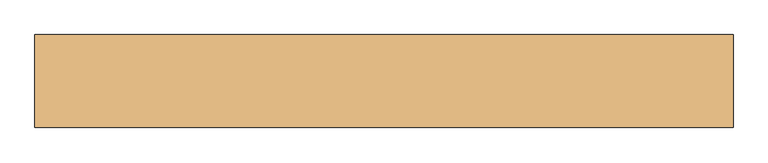
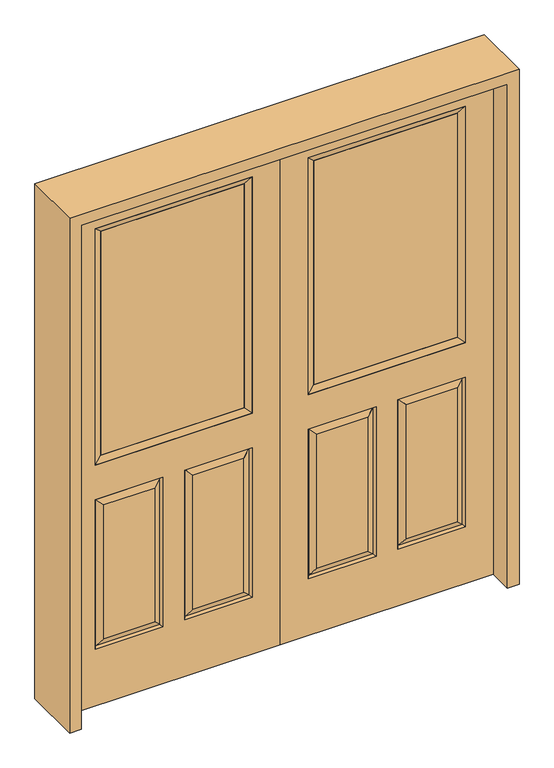
"""IFC4 building model written with IfcOpenShell, lengths in millimetres: door geometry."""

from ifc_helpers import new_model, si_unit, frame, origin, place, context, project, spatial, polyline, outline, extrude, faceted_brep, source, transform, mapped, element, save


def door_a7f64472(model_context):
    return source(origin(), model_context, "Body", "SolidModel", [
        faceted_brep([(812.8, -22.225, 0.0), (812.8, -22.225, 2032.0), (0.0, -22.225, 2032.0), (0.0, -22.225, 0.0), (705.739, -22.225, 971.55), (107.061, -22.225, 971.55), (107.061, -22.225, 1925.574), (705.739, -22.225, 1925.574), (705.739, -22.225, 831.85), (705.739, -22.225, 228.6), (447.675, -22.225, 228.6), (447.675, -22.225, 831.85), (365.125, -22.225, 831.85), (365.125, -22.225, 228.6), (107.061, -22.225, 228.6), (107.061, -22.225, 831.85), (479.425, -22.225, 800.1), (479.425, -22.225, 260.35), (673.989, -22.225, 260.35), (673.989, -22.225, 800.1), (138.811, -22.225, 800.1), (138.811, -22.225, 260.35), (333.375, -22.225, 260.35), (333.375, -22.225, 800.1), (0.0, 22.225, 0.0), (812.8, 22.225, 0.0), (0.0, 22.225, 2032.0), (812.8, 22.225, 2032.0), (705.739, 22.225, 1925.574), (705.739, 22.225, 971.55), (107.061, 22.225, 971.55), (107.061, 22.225, 1925.574), (447.675, 22.225, 831.85), (447.675, 22.225, 228.6), (705.739, 22.225, 228.6), (705.739, 22.225, 831.85), (107.061, 22.225, 831.85), (107.061, 22.225, 228.6), (365.125, 22.225, 228.6), (365.125, 22.225, 831.85), (673.989, 22.225, 800.1), (673.989, 22.225, 260.35), (479.425, 22.225, 260.35), (479.425, 22.225, 800.1), (333.375, 22.225, 800.1), (333.375, 22.225, 260.35), (138.811, 22.225, 260.35), (138.811, 22.225, 800.1), (698.59525, -12.7449236, 824.70625), (454.81875, -12.7449236, 824.70625), (698.59525, -12.7449236, 235.74375), (454.81875, -12.7449236, 235.74375), (114.20475, -12.7449236, 824.70625), (357.98125, -12.7449236, 824.70625), (357.98125, -12.7449236, 235.74375), (114.20475, -12.7449236, 235.74375), (698.59525, 12.7449236, 824.70625), (454.81875, 12.7449236, 824.70625), (454.81875, 12.7449236, 235.74375), (698.59525, 12.7449236, 235.74375), (114.20475, 12.7449236, 824.70625), (357.98125, 12.7449236, 824.70625), (114.20475, 12.7449236, 235.74375), (357.98125, 12.7449236, 235.74375)], [[[0, 1, 2, 3], [4, 5, 6, 7], [8, 9, 10, 11], [12, 13, 14, 15]], [[16, 17, 18, 19]], [[20, 21, 22, 23]], [[3, 24, 25, 0]], [[2, 26, 24, 3]], [[0, 25, 27, 1]], [[7, 28, 29, 4]], [[5, 30, 31, 6]], [[4, 29, 30, 5]], [[25, 24, 26, 27], [29, 28, 31, 30], [32, 33, 34, 35], [36, 37, 38, 39]], [[40, 41, 42, 43]], [[44, 45, 46, 47]], [[1, 27, 26, 2]], [[6, 31, 28, 7]], [[16, 19, 48, 49]], [[19, 18, 50, 48]], [[51, 50, 18, 17]], [[49, 51, 17, 16]], [[48, 8, 11, 49]], [[11, 10, 51, 49]], [[10, 9, 50, 51]], [[48, 50, 9, 8]], [[52, 20, 23, 53]], [[23, 22, 54, 53]], [[22, 21, 55, 54]], [[52, 55, 21, 20]], [[53, 12, 15, 52]], [[15, 14, 55, 52]], [[54, 55, 14, 13]], [[53, 54, 13, 12]], [[56, 40, 43, 57]], [[43, 42, 58, 57]], [[42, 41, 59, 58]], [[56, 59, 41, 40]], [[57, 32, 35, 56]], [[35, 34, 59, 56]], [[58, 59, 34, 33]], [[57, 58, 33, 32]], [[44, 47, 60, 61]], [[47, 46, 62, 60]], [[63, 62, 46, 45]], [[61, 63, 45, 44]], [[60, 36, 39, 61]], [[39, 38, 63, 61]], [[38, 37, 62, 63]], [[60, 62, 37, 36]]]),
        extrude(outline(polyline([(132.461, -12.7), (132.461, 12.7), (680.339, 12.7), (680.339, -12.7), (132.461, -12.7)])), frame((0.0, 0.0, 996.95), z_axis=(0.0, 0.0, 1.0), x_axis=(1.0, 0.0, 0.0)), (0.0, 0.0, 1.0), 903.224),
        faceted_brep([(705.739, -22.225, 1925.574), (705.739, -22.225, 971.55), (705.739, 22.225, 971.55), (705.739, 22.225, 1925.574), (107.061, -22.225, 971.55), (107.061, 22.225, 971.55), (132.461, 12.7, 996.95), (680.339, 12.7, 996.95), (107.061, -22.225, 1925.574), (107.061, 22.225, 1925.574), (680.339, -12.7, 996.95), (132.461, -12.7, 996.95), (680.339, -12.7, 1900.174), (132.461, -12.7, 1900.174), (680.339, 12.7, 1900.174), (132.461, 12.7, 1900.174)], [[[0, 1, 2, 3]], [[1, 4, 5, 2]], [[2, 5, 6, 7]], [[4, 8, 9, 5]], [[10, 11, 4, 1]], [[12, 10, 1, 0]], [[11, 13, 8, 4]], [[7, 6, 11, 10]], [[14, 7, 10, 12]], [[6, 15, 13, 11]], [[3, 2, 7, 14]], [[5, 9, 15, 6]], [[8, 0, 3, 9]], [[13, 12, 0, 8]], [[15, 14, 12, 13]], [[9, 3, 14, 15]]]),
        faceted_brep([(-812.8, -22.225, 0.0), (0.0, -22.225, 0.0), (0.0, -22.225, 2032.0), (-812.8, -22.225, 2032.0), (-705.739, -22.225, 971.55), (-705.739, -22.225, 1925.574), (-107.061, -22.225, 1925.574), (-107.061, -22.225, 971.55), (-705.739, -22.225, 831.85), (-447.675, -22.225, 831.85), (-447.675, -22.225, 228.6), (-705.739, -22.225, 228.6), (-365.125, -22.225, 831.85), (-107.061, -22.225, 831.85), (-107.061, -22.225, 228.6), (-365.125, -22.225, 228.6), (-479.425, -22.225, 800.1), (-673.989, -22.225, 800.1), (-673.989, -22.225, 260.35), (-479.425, -22.225, 260.35), (-138.811, -22.225, 800.1), (-333.375, -22.225, 800.1), (-333.375, -22.225, 260.35), (-138.811, -22.225, 260.35), (-812.8, 22.225, 0.0), (0.0, 22.225, 0.0), (0.0, 22.225, 2032.0), (-812.8, 22.225, 2032.0), (-705.739, 22.225, 971.55), (-705.739, 22.225, 1925.574), (-107.061, 22.225, 1925.574), (-107.061, 22.225, 971.55), (-447.675, 22.225, 831.85), (-705.739, 22.225, 831.85), (-705.739, 22.225, 228.6), (-447.675, 22.225, 228.6), (-107.061, 22.225, 831.85), (-365.125, 22.225, 831.85), (-365.125, 22.225, 228.6), (-107.061, 22.225, 228.6), (-673.989, 22.225, 800.1), (-479.425, 22.225, 800.1), (-479.425, 22.225, 260.35), (-673.989, 22.225, 260.35), (-333.375, 22.225, 800.1), (-138.811, 22.225, 800.1), (-138.811, 22.225, 260.35), (-333.375, 22.225, 260.35), (-454.81875, -12.7449236, 824.70625), (-698.59525, -12.7449236, 824.70625), (-698.59525, -12.7449236, 235.74375), (-454.81875, -12.7449236, 235.74375), (-114.20475, -12.7449236, 824.70625), (-357.98125, -12.7449236, 824.70625), (-357.98125, -12.7449236, 235.74375), (-114.20475, -12.7449236, 235.74375), (-698.59525, 12.7449236, 824.70625), (-454.81875, 12.7449236, 824.70625), (-454.81875, 12.7449236, 235.74375), (-698.59525, 12.7449236, 235.74375), (-357.98125, 12.7449236, 824.70625), (-114.20475, 12.7449236, 824.70625), (-114.20475, 12.7449236, 235.74375), (-357.98125, 12.7449236, 235.74375)], [[[0, 1, 2, 3], [4, 5, 6, 7], [8, 9, 10, 11], [12, 13, 14, 15]], [[16, 17, 18, 19]], [[20, 21, 22, 23]], [[1, 0, 24, 25]], [[2, 1, 25, 26]], [[0, 3, 27, 24]], [[5, 4, 28, 29]], [[7, 6, 30, 31]], [[4, 7, 31, 28]], [[24, 27, 26, 25], [28, 31, 30, 29], [32, 33, 34, 35], [36, 37, 38, 39]], [[40, 41, 42, 43]], [[44, 45, 46, 47]], [[3, 2, 26, 27]], [[6, 5, 29, 30]], [[16, 48, 49, 17]], [[17, 49, 50, 18]], [[51, 19, 18, 50]], [[48, 16, 19, 51]], [[49, 48, 9, 8]], [[9, 48, 51, 10]], [[10, 51, 50, 11]], [[49, 8, 11, 50]], [[52, 53, 21, 20]], [[21, 53, 54, 22]], [[22, 54, 55, 23]], [[52, 20, 23, 55]], [[53, 52, 13, 12]], [[13, 52, 55, 14]], [[54, 15, 14, 55]], [[53, 12, 15, 54]], [[56, 57, 41, 40]], [[41, 57, 58, 42]], [[42, 58, 59, 43]], [[56, 40, 43, 59]], [[57, 56, 33, 32]], [[33, 56, 59, 34]], [[58, 35, 34, 59]], [[57, 32, 35, 58]], [[44, 60, 61, 45]], [[45, 61, 62, 46]], [[63, 47, 46, 62]], [[60, 44, 47, 63]], [[61, 60, 37, 36]], [[37, 60, 63, 38]], [[38, 63, 62, 39]], [[61, 36, 39, 62]]]),
        extrude(outline(polyline([(-132.461, -12.7), (-680.339, -12.7), (-680.339, 12.7), (-132.461, 12.7), (-132.461, -12.7)])), frame((0.0, 0.0, 996.95), z_axis=(0.0, 0.0, 1.0), x_axis=(1.0, 0.0, 0.0)), (0.0, 0.0, 1.0), 903.224),
        faceted_brep([(-705.739, -22.225, 1925.574), (-705.739, 22.225, 1925.574), (-705.739, 22.225, 971.55), (-705.739, -22.225, 971.55), (-107.061, 22.225, 971.55), (-107.061, -22.225, 971.55), (-680.339, 12.7, 996.95), (-132.461, 12.7, 996.95), (-107.061, 22.225, 1925.574), (-107.061, -22.225, 1925.574), (-680.339, -12.7, 996.95), (-132.461, -12.7, 996.95), (-680.339, -12.7, 1900.174), (-132.461, -12.7, 1900.174), (-680.339, 12.7, 1900.174), (-132.461, 12.7, 1900.174)], [[[0, 1, 2, 3]], [[3, 2, 4, 5]], [[2, 6, 7, 4]], [[5, 4, 8, 9]], [[10, 3, 5, 11]], [[12, 0, 3, 10]], [[11, 5, 9, 13]], [[6, 10, 11, 7]], [[14, 12, 10, 6]], [[7, 11, 13, 15]], [[1, 14, 6, 2]], [[4, 7, 15, 8]], [[9, 8, 1, 0]], [[13, 9, 0, 12]], [[15, 13, 12, 14]], [[8, 15, 14, 1]]]),
        extrude(outline(polyline([(0.0, -857.25), (0.0, -812.8), (2032.0, -812.8), (2032.0, 812.8), (0.0, 812.8), (0.0, 857.25), (2076.45, 857.25), (2076.45, -857.25), (0.0, -857.25)])), frame((0.0, -114.3, 0.0), z_axis=(0.0, 1.0, 0.0), x_axis=(0.0, 0.0, 1.0)), (0.0, 0.0, 1.0), 228.6),
    ])


if __name__ == "__main__":
    model = new_model("IFC4")
    model_context = context("Model", 3, world=origin())
    ifc_project = project(units=[si_unit("LENGTHUNIT", "METRE", prefix="MILLI")], contexts=[model_context])
    site = spatial("IfcSite", under=ifc_project)
    building = spatial("IfcBuilding", under=site)
    placement = place(None, origin())
    door_shape = door_a7f64472(model_context)
    element("IfcDoor", 1, at=placement, inside=building, context=model_context, shape_type="MappedRepresentation", body=[
        mapped(door_shape, transform((0.0, 0.0, 0.0), x_axis=(1.0, 0.0, 0.0), y_axis=(0.0, 1.0, 0.0), z_axis=(0.0, 0.0, 1.0))),
    ])
    save(model, "model.ifc")
